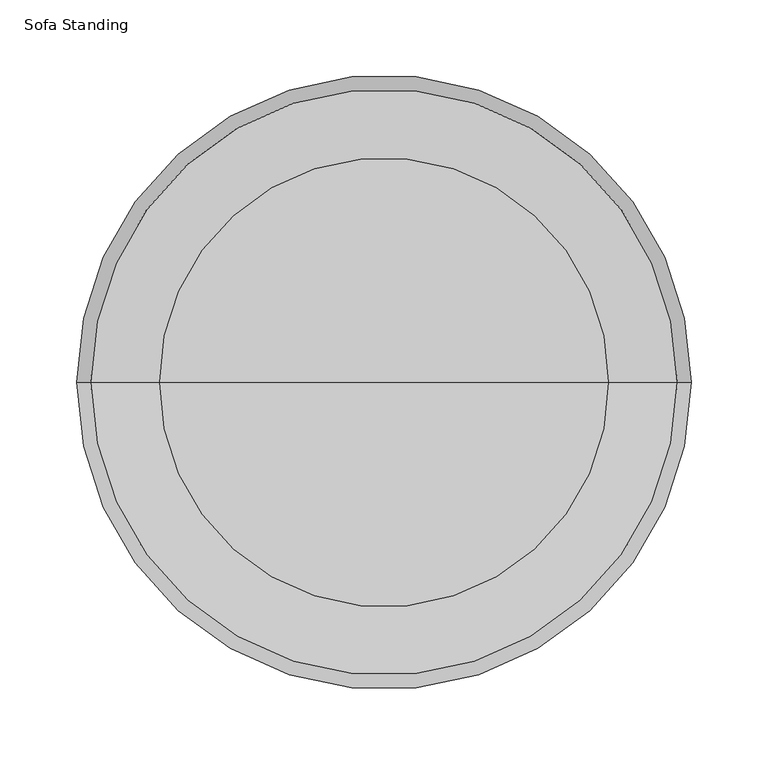
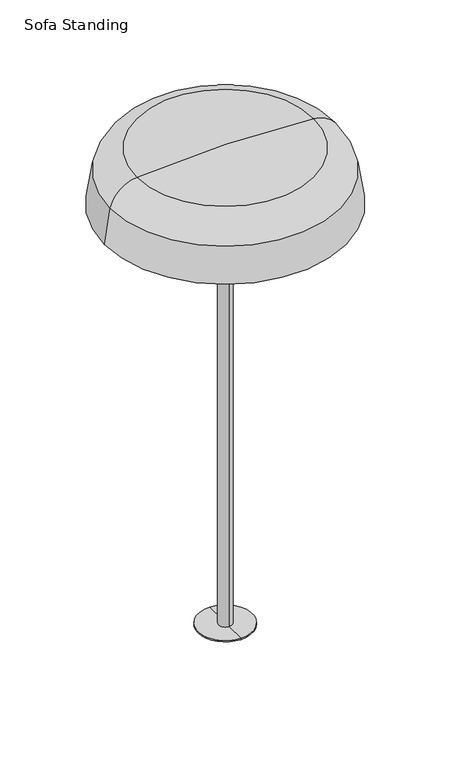
"""IFC4 building model written with IfcOpenShell, lengths in millimetres: light fixture geometry, Sofa Standing."""

import ifcopenshell
import ifcopenshell.guid

model = None  # the IFC model being written
_history = None  # IfcOwnerHistory: only IFC2X3 demands one
_inside = {}  # id of a spatial element -> (the spatial element, [elements in it])
_under = {}  # id of a project, library or spatial element -> (it, [spatial elements below it])
_declared = {}  # id of a project -> (the project, [libraries it declares])
_typed = {}  # id of a type object -> (the type object, [elements of that type])
_made_of = {}  # id of a material, layer set ... -> (it, [elements and type objects made of it])


def new_model(schema):
    """Start an empty IFC model of exactly this schema.

    Asked for "IFC4X3", IfcOpenShell would pick the latest addendum, in which some entities
    have other attributes; the version numbers below select the first issue.
    IFC2X3 requires an IfcOwnerHistory on every rooted entity: one is made here for all.
    """
    global model, _history
    if schema == "IFC4X3":
        model = ifcopenshell.file(schema_version=(4, 3, 0, 0))
    else:
        model = ifcopenshell.file(schema=schema)
    _inside.clear()
    _under.clear()
    _declared.clear()
    _typed.clear()
    _made_of.clear()
    _history = None
    if model.schema == "IFC2X3":
        org = make("IfcOrganization", Name="unknown")
        user = make(
            "IfcPersonAndOrganization",
            ThePerson=make("IfcPerson", FamilyName="unknown"),
            TheOrganization=org,
        )
        app = make(
            "IfcApplication",
            ApplicationDeveloper=org,
            Version="unknown",
            ApplicationFullName="unknown",
            ApplicationIdentifier="unknown",
        )
        _history = make(
            "IfcOwnerHistory",
            OwningUser=user,
            OwningApplication=app,
            ChangeAction="ADDED",
            CreationDate=0,
        )
    return model


def make(cls, **values):
    """One entity of the class cls with the attributes given. An attribute that is None is left unset."""
    return model.create_entity(
        cls, **{name: value for name, value in values.items() if value is not None}
    )


def rooted(cls, **values):
    """An entity with a GlobalId (a new one), such as an element, a storey or a relation."""
    return make(cls, GlobalId=ifcopenshell.guid.new(), OwnerHistory=_history, **values)


def si_unit(unit_type, name, prefix=None):
    """IfcSIUnit, for example si_unit("LENGTHUNIT", "METRE", prefix="MILLI")."""
    return make("IfcSIUnit", UnitType=unit_type, Prefix=prefix, Name=name)


def assignment(units):
    """IfcUnitAssignment: the units of a project."""
    return None if units is None else make("IfcUnitAssignment", Units=units)


def point(xyz):
    """IfcCartesianPoint."""
    return None if xyz is None else make("IfcCartesianPoint", Coordinates=xyz)


def direction(xyz):
    """IfcDirection."""
    return None if xyz is None else make("IfcDirection", DirectionRatios=xyz)


def frame(location, z_axis=None, x_axis=None):
    """IfcAxis2Placement3D, a coordinate frame: its origin and axes. An axis left out is left unset."""
    return make(
        "IfcAxis2Placement3D",
        Location=point(location),
        Axis=direction(z_axis),
        RefDirection=direction(x_axis),
    )


def origin():
    """The frame at (0, 0, 0) with its axes left unset."""
    return frame((0.0, 0.0, 0.0))


def place(relative_to, where):
    """IfcLocalPlacement: puts the frame where relative to a parent placement (None: the world)."""
    return make(
        "IfcLocalPlacement", PlacementRelTo=relative_to, RelativePlacement=where
    )


def context(
    kind, dimensions, precision=None, world=None, true_north=None, identifier=None
):
    """IfcGeometricRepresentationContext, for example the 3D "Model" context."""
    return make(
        "IfcGeometricRepresentationContext",
        ContextIdentifier=identifier,
        ContextType=kind,
        CoordinateSpaceDimension=dimensions,
        Precision=precision,
        WorldCoordinateSystem=world,
        TrueNorth=true_north,
    )


def project(units=None, contexts=None):
    """IfcProject with its units and contexts."""
    return rooted(
        "IfcProject",
        Name="project",
        RepresentationContexts=contexts,
        UnitsInContext=assignment(units),
    )


def spatial(cls, under=None, at=None, **own):
    """A site, building, storey or space (cls), placed at a placement, below another one or the project."""
    s = rooted(cls, ObjectPlacement=at, **own)
    if under is not None:
        _under.setdefault(under.id(), (under, []))[1].append(s)
    return s


def polyline(points):
    """IfcPolyline through the points."""
    return make("IfcPolyline", Points=[point(p) for p in points])


def circle_curve(where, radius):
    """IfcCircle in the frame where."""
    return make("IfcCircle", Position=where, Radius=radius)


def ellipse_curve(where, semi_axis1, semi_axis2):
    """IfcEllipse in the frame where."""
    return make(
        "IfcEllipse", Position=where, SemiAxis1=semi_axis1, SemiAxis2=semi_axis2
    )


def trimmed(basis, trim1, trim2, sense, master):
    """IfcTrimmedCurve: the piece of a basis curve between two trims."""
    return make(
        "IfcTrimmedCurve",
        BasisCurve=basis,
        Trim1=trim1,
        Trim2=trim2,
        SenseAgreement=sense,
        MasterRepresentation=master,
    )


def shape(context_of_items, identifier, shape_type, items):
    """IfcShapeRepresentation: the items that make up one representation, for example the "Body"."""
    return make(
        "IfcShapeRepresentation",
        ContextOfItems=context_of_items,
        RepresentationIdentifier=identifier,
        RepresentationType=shape_type,
        Items=items,
    )


def source(mapping_origin, context_of_items, identifier, shape_type, items):
    """IfcRepresentationMap: a shape defined once, which mapped items show again and again."""
    return make(
        "IfcRepresentationMap",
        MappingOrigin=mapping_origin,
        MappedRepresentation=shape(context_of_items, identifier, shape_type, items),
    )


def transform(
    local_origin,
    x_axis=None,
    y_axis=None,
    z_axis=None,
    scale=None,
    scale2=None,
    scale3=None,
    uniform=True,
):
    """IfcCartesianTransformationOperator3D, or its non-uniform kind. x_axis, y_axis, z_axis: its Axis1, 2, 3."""
    if uniform:
        return make(
            "IfcCartesianTransformationOperator3D",
            Axis1=direction(x_axis),
            Axis2=direction(y_axis),
            LocalOrigin=point(local_origin),
            Scale=scale,
            Axis3=direction(z_axis),
        )
    return make(
        "IfcCartesianTransformationOperator3DnonUniform",
        Axis1=direction(x_axis),
        Axis2=direction(y_axis),
        LocalOrigin=point(local_origin),
        Scale=scale,
        Axis3=direction(z_axis),
        Scale2=scale2,
        Scale3=scale3,
    )


def mapped(mapping_source, mapping_target):
    """IfcMappedItem: shows the shape of a source again, moved by a transform."""
    return make(
        "IfcMappedItem", MappingSource=mapping_source, MappingTarget=mapping_target
    )


def made_of(thing, what):
    """Note that an element or type object is made of a material, layer set ...; save() writes the relation."""
    if what is not None:
        _made_of.setdefault(what.id(), (what, []))[1].append(thing)
    return thing


def element(
    cls,
    number,
    at=None,
    inside=None,
    cuts=None,
    type_object=None,
    material=None,
    context=None,
    identifier="Body",
    shape_type=None,
    held_by="IfcProductDefinitionShape",
    body=None,
    shapes=None,
    **own,
):
    """One element of the class cls, such as IfcWall. Its Tag is "e" and its number.

    at: its placement. inside: the storey or other place that contains it. cuts: it is an
    opening in that element (IfcRelVoidsElement). A single representation is given by context,
    identifier, shape_type and body (its items); several are given by shapes. held_by: the class
    of the entity that holds the representations. save() writes the other relations.
    """
    e = rooted(cls, Tag="e%d" % number, ObjectPlacement=at, **own)
    if body is not None:
        shapes = [shape(context, identifier, shape_type, body)]
    if shapes is not None:
        e.Representation = make(held_by, Representations=shapes)
    if inside is not None:
        _inside.setdefault(inside.id(), (inside, []))[1].append(e)
    if cuts is not None:
        rooted(
            "IfcRelVoidsElement", RelatingBuildingElement=cuts, RelatedOpeningElement=e
        )
    if type_object is not None:
        _typed.setdefault(type_object.id(), (type_object, []))[1].append(e)
    return made_of(e, material)


def aggregate(whole, parts):
    """IfcRelAggregates: a whole, such as a stair, and the parts it consists of."""
    return rooted("IfcRelAggregates", RelatingObject=whole, RelatedObjects=parts)


def save(model, path):
    """Write the relations noted so far, then the file.

    IfcRelAggregates (storeys below a building ...), IfcRelContainedInSpatialStructure (elements
    in a storey), IfcRelDefinesByType, IfcRelAssociatesMaterial and IfcRelDeclares: one each for
    every whole, place, type object, material and project.
    """
    for whole, parts in _under.values():
        aggregate(whole, parts)
    for where, things in _inside.values():
        rooted(
            "IfcRelContainedInSpatialStructure",
            RelatedElements=things,
            RelatingStructure=where,
        )
    for kind, things in _typed.values():
        rooted("IfcRelDefinesByType", RelatedObjects=things, RelatingType=kind)
    for what, things in _made_of.values():
        rooted("IfcRelAssociatesMaterial", RelatedObjects=things, RelatingMaterial=what)
    for by, libraries in _declared.values():
        rooted("IfcRelDeclares", RelatingContext=by, RelatedDefinitions=libraries)
    model.write(path)


def plane_surface(at):
    """IfcPlane: the flat surface through the origin of the frame at, square to its z axis."""
    return make("IfcPlane", Position=at)


def cylinder_surface(at, radius):
    """IfcCylindricalSurface: all points at the distance radius from the z axis of the frame at."""
    return make("IfcCylindricalSurface", Position=at, Radius=radius)


def revolved_surface(curve, axis_point, axis_direction):
    """IfcSurfaceOfRevolution: the curve turned about the line through axis_point along axis_direction."""
    return make(
        "IfcSurfaceOfRevolution",
        SweptCurve=make("IfcArbitraryOpenProfileDef", ProfileType="CURVE", Curve=curve),
        AxisPosition=make("IfcAxis1Placement", Location=point(axis_point), Axis=direction(axis_direction)),
    )


def advanced_brep(points, edges, surfaces, faces):
    """IfcAdvancedBrep: a solid bounded by faces that lie on surfaces and meet in shared edges.

    An edge is (start, end): straight between two places in points (the first is 0);
    or (start, end, curve); or (start, end, curve, False) where it runs against its curve.
    A face is (place in surfaces, loops), or (place, loops, False) where it looks against
    its surface's normal. A loop lists edges by number (the first is 1), with a minus sign
    where the edge is run from its end to its start. The first loop is the outer one.
    """
    corners = [point(p) for p in points]
    vertices = [make("IfcVertexPoint", VertexGeometry=c) for c in corners]
    made = []
    for start, end, *more in edges:
        made.append(
            make(
                "IfcEdgeCurve",
                EdgeStart=vertices[start],
                EdgeEnd=vertices[end],
                EdgeGeometry=more[0] if more else make("IfcPolyline", Points=[corners[start], corners[end]]),
                SameSense=more[1] if len(more) > 1 else True,
            )
        )
    hull = []
    for where, loops, *sense in faces:
        bounds = []
        for j, loop in enumerate(loops):
            ring = [make("IfcOrientedEdge", EdgeElement=made[abs(k) - 1], Orientation=k > 0) for k in loop]
            bounds.append(
                make(
                    "IfcFaceOuterBound" if j == 0 else "IfcFaceBound",
                    Bound=make("IfcEdgeLoop", EdgeList=ring),
                    Orientation=True,
                )
            )
        hull.append(make("IfcAdvancedFace", Bounds=bounds, FaceSurface=surfaces[where], SameSense=sense[0] if sense else True))
    return make("IfcAdvancedBrep", Outer=make("IfcClosedShell", CfsFaces=hull))


def sofa_standing_98f8bb21(model_context):
    return source(origin(), model_context, "Body", "AdvancedBrep", [
        advanced_brep(
        [(199.9486931, 0.0, 1285.7470524), (-200.1013069, 0.0, 1285.7470524), (-191.022028, 0.0, 1345.4525311), (190.8694141, 0.0, 1345.4525311), (197.3636976, 0.0, 1285.7470524), (-197.5163114, 0.0, 1285.7470524), (188.3624242, 0.0, 1344.8444283), (-188.515038, 0.0, 1344.8444283), (145.8324053, 0.0, 1381.5029663), (-145.9850191, 0.0, 1381.5029663), (-0.0763069, 0.0, 1388.069392), (146.0641267, 0.0, 1384.0722255), (-146.2167405, 0.0, 1384.0722255), (-0.0763069, 0.0, 1390.6490795)],
        [
            (0, 1, circle_curve(frame((-0.0763069, 0.0, 1285.7470524), z_axis=(0.0, 0.0, 1.0), x_axis=(-1.0, 0.0, 0.0)), 200.025)),
            (1, 2, circle_curve(frame((146.4885159, 0.0, 1263.5849834), z_axis=(0.0, 1.0, 0.0), x_axis=(1.0, 0.0, 0.0)), 347.2976571)),
            (2, 3, circle_curve(frame((-0.0763069, 0.0, 1345.4525311), z_axis=(0.0, 0.0, -1.0), x_axis=(-1.0, 0.0, 0.0)), 190.945721)),
            (3, 0, circle_curve(frame((-146.6411298, 0.0, 1263.5849834), z_axis=(0.0, 1.0, 0.0), x_axis=(-1.0, 0.0, 0.0)), 347.2976571)),
            (1, 0, circle_curve(frame((-0.0763069, 0.0, 1285.7470524), z_axis=(0.0, 0.0, 1.0), x_axis=(-1.0, 0.0, 0.0)), 200.025)),
            (3, 2, circle_curve(frame((-0.0763069, 0.0, 1345.4525311), z_axis=(0.0, 0.0, -1.0), x_axis=(-1.0, 0.0, 0.0)), 190.945721)),
            (4, 5, circle_curve(frame((-0.0763069, 0.0, 1285.7470524), z_axis=(0.0, 0.0, 1.0), x_axis=(-1.0, 0.0, 0.0)), 197.4400045)),
            (5, 1),
            (0, 4),
            (5, 4, circle_curve(frame((-0.0763069, 0.0, 1285.7470524), z_axis=(0.0, 0.0, 1.0), x_axis=(-1.0, 0.0, 0.0)), 197.4400045)),
            (6, 7, circle_curve(frame((-0.0763069, 0.0, 1344.8444283), z_axis=(0.0, 0.0, 1.0), x_axis=(-1.0, 0.0, 0.0)), 188.4387311)),
            (7, 5, circle_curve(frame((146.4885159, 0.0, 1263.5849834), z_axis=(0.0, -1.0, 0.0), x_axis=(1.0, 0.0, 0.0)), 344.7179696)),
            (4, 6, circle_curve(frame((-146.6411298, 0.0, 1263.5849834), z_axis=(0.0, -1.0, 0.0), x_axis=(-1.0, 0.0, 0.0)), 344.7179696)),
            (7, 6, circle_curve(frame((-0.0763069, 0.0, 1344.8444283), z_axis=(0.0, 0.0, 1.0), x_axis=(-1.0, 0.0, 0.0)), 188.4387311)),
            (8, 9, circle_curve(frame((-0.0763069, 0.0, 1381.5029663), z_axis=(0.0, 0.0, 1.0), x_axis=(-1.0, 0.0, 0.0)), 145.9087122)),
            (9, 7, circle_curve(frame((-141.6536108, 0.0, 1333.477583), z_axis=(0.0, -1.0, 0.0), x_axis=(1.0, 0.0, 0.0)), 48.2203125)),
            (6, 8, circle_curve(frame((141.5009969, 0.0, 1333.477583), z_axis=(0.0, -1.0, 0.0), x_axis=(-1.0, 0.0, 0.0)), 48.2203125)),
            (9, 8, circle_curve(frame((-0.0763069, 0.0, 1381.5029663), z_axis=(0.0, 0.0, 1.0), x_axis=(-1.0, 0.0, 0.0)), 145.9087122)),
            (10, 9, circle_curve(frame((-0.0763069, 0.0, -236.2899711), z_axis=(0.0, -1.0, 0.0), x_axis=(1.0, 0.0, 0.0)), 1624.3593631)),
            (8, 10, circle_curve(frame((-0.0763069, 0.0, -236.2899711), z_axis=(0.0, -1.0, 0.0), x_axis=(-1.0, 0.0, 0.0)), 1624.3593631)),
            (11, 12, circle_curve(frame((-0.0763069, 0.0, 1384.0722255), z_axis=(0.0, 0.0, 1.0), x_axis=(-1.0, 0.0, 0.0)), 146.1404336)),
            (12, 13, circle_curve(frame((-0.0763069, 0.0, -236.2899711), z_axis=(0.0, 1.0, 0.0), x_axis=(1.0, 0.0, 0.0)), 1626.9390506)),
            (13, 11, circle_curve(frame((-0.0763069, 0.0, -236.2899711), z_axis=(0.0, 1.0, 0.0), x_axis=(-1.0, 0.0, 0.0)), 1626.9390506)),
            (12, 11, circle_curve(frame((-0.0763069, 0.0, 1384.0722255), z_axis=(0.0, 0.0, 1.0), x_axis=(-1.0, 0.0, 0.0)), 146.1404336)),
            (2, 12, circle_curve(frame((-141.6536108, 0.0, 1333.477583), z_axis=(0.0, 1.0, 0.0), x_axis=(1.0, 0.0, 0.0)), 50.8)),
            (11, 3, circle_curve(frame((141.5009969, 0.0, 1333.477583), z_axis=(0.0, 1.0, 0.0), x_axis=(-1.0, 0.0, 0.0)), 50.8)),
        ],
        [
            revolved_surface(trimmed(ellipse_curve(frame((146.4885159, 0.0, 1263.5849834), z_axis=(0.0, -1.0, 0.0), x_axis=(1.0, 0.0, 0.0)), 347.2976571, 347.2976571), [point((-191.022028, 0.0, 1345.4525311))], [point((-200.1013069, 0.0, 1285.7470524))], True, "CARTESIAN"), (-0.0763069, 0.0, 1390.6490795), (0.0, 0.0, -1.0)),
            plane_surface(frame((-0.0763069, 0.0, 1285.7470524), z_axis=(0.0, 0.0, -1.0), x_axis=(-1.0, 0.0, 0.0))),
            revolved_surface(trimmed(ellipse_curve(frame((146.4885159, 0.0, 1263.5849834), z_axis=(0.0, 1.0, 0.0), x_axis=(1.0, 0.0, 0.0)), 344.7179696, 344.7179696), [point((-197.5163114, 0.0, 1285.7470524))], [point((-188.515038, 0.0, 1344.8444283))], True, "CARTESIAN"), (-0.0763069, 0.0, 1390.6490795), (0.0, 0.0, -1.0)),
            revolved_surface(trimmed(ellipse_curve(frame((-141.6536108, 0.0, 1333.477583), z_axis=(0.0, 1.0, 0.0), x_axis=(1.0, 0.0, 0.0)), 48.2203125, 48.2203125), [point((-188.515038, 0.0, 1344.8444283))], [point((-145.9850191, 0.0, 1381.5029663))], True, "CARTESIAN"), (-0.0763069, 0.0, 1390.6490795), (0.0, 0.0, -1.0)),
            revolved_surface(trimmed(ellipse_curve(frame((-0.0763069, 0.0, -236.2899711), z_axis=(0.0, 1.0, 0.0), x_axis=(1.0, 0.0, 0.0)), 1624.3593631, 1624.3593631), [point((-145.9850191, 0.0, 1381.5029663))], [point((-0.0763069, 0.0, 1388.069392))], True, "CARTESIAN"), (-0.0763069, 0.0, 1390.6490795), (0.0, 0.0, -1.0)),
            revolved_surface(trimmed(ellipse_curve(frame((-0.0763069, 0.0, -236.2899711), z_axis=(0.0, -1.0, 0.0), x_axis=(1.0, 0.0, 0.0)), 1626.9390506, 1626.9390506), [point((-0.0763069, 0.0, 1390.6490795))], [point((-146.2167405, 0.0, 1384.0722255))], True, "CARTESIAN"), (-0.0763069, 0.0, 1390.6490795), (0.0, 0.0, -1.0)),
            revolved_surface(trimmed(ellipse_curve(frame((-141.6536108, 0.0, 1333.477583), z_axis=(0.0, -1.0, 0.0), x_axis=(1.0, 0.0, 0.0)), 50.8, 50.8), [point((-146.2167405, 0.0, 1384.0722255))], [point((-191.022028, 0.0, 1345.4525311))], True, "CARTESIAN"), (-0.0763069, 0.0, 1390.6490795), (0.0, 0.0, -1.0)),
        ],
        [
            (0, [[1, 2, 3, 4]]),
            (0, [[5, -4, 6, -2]]),
            (1, [[7, 8, -1, 9]]),
            (1, [[10, -9, -5, -8]]),
            (2, [[11, 12, -7, 13]]),
            (2, [[14, -13, -10, -12]]),
            (3, [[15, 16, -11, 17]]),
            (3, [[18, -17, -14, -16]]),
            (4, [[19, -15, 20]]),
            (4, [[-20, -18, -19]]),
            (5, [[21, 22, 23]]),
            (5, [[24, -23, -22]]),
            (6, [[-3, 25, -21, 26]]),
            (6, [[-6, -26, -24, -25]]),
        ],
    ),
        advanced_brep(
        [(-0.0763069, -196.9875458, 1291.8740269), (-0.0763069, 196.9875458, 1291.8740269), (-0.0763069, 0.0, 1285.7470524), (-0.0763069, -196.7671941, 1294.4449868), (-0.0763069, 196.7671941, 1294.4449868), (-0.0763069, 0.0, 1288.3267399)],
        [
            (0, 1, circle_curve(frame((-0.0763069, 0.0, 1291.8740269), z_axis=(0.0, 0.0, -1.0), x_axis=(0.0, 1.0, 0.0)), 196.9875458)),
            (1, 2, circle_curve(frame((-0.0763069, 0.1915666, 4449.3117503), z_axis=(-1.0, 0.0, 0.0), x_axis=(0.0, -1.0, 0.0)), 3163.5647037)),
            (2, 0, circle_curve(frame((-0.0763069, -0.1915666, 4449.3117503), z_axis=(-1.0, 0.0, 0.0), x_axis=(0.0, 1.0, 0.0)), 3163.5647037)),
            (1, 0, circle_curve(frame((-0.0763069, 0.0, 1291.8740269), z_axis=(0.0, 0.0, -1.0), x_axis=(0.0, 1.0, 0.0)), 196.9875458)),
            (3, 4, circle_curve(frame((-0.0763069, 0.0, 1294.4449868), z_axis=(0.0, 0.0, -1.0), x_axis=(0.0, 1.0, 0.0)), 196.7671941)),
            (4, 1),
            (0, 3),
            (4, 3, circle_curve(frame((-0.0763069, 0.0, 1294.4449868), z_axis=(0.0, 0.0, -1.0), x_axis=(0.0, 1.0, 0.0)), 196.7671941)),
            (5, 4, circle_curve(frame((-0.0763069, 0.1915666, 4449.3117503), z_axis=(1.0, 0.0, 0.0), x_axis=(0.0, -1.0, 0.0)), 3160.9850162)),
            (3, 5, circle_curve(frame((-0.0763069, -0.1915666, 4449.3117503), z_axis=(1.0, 0.0, 0.0), x_axis=(0.0, 1.0, 0.0)), 3160.9850162)),
        ],
        [
            revolved_surface(trimmed(ellipse_curve(frame((-0.0763069, 0.1915666, 4449.3117503), z_axis=(1.0, 0.0, 0.0), x_axis=(0.0, -1.0, 0.0)), 3163.5647037, 3163.5647037), [point((-0.0763069, 0.0, 1285.7470524))], [point((-0.0763069, 196.9875458, 1291.8740269))], True, "CARTESIAN"), (-0.0763069, 0.0, 1288.3267399), (0.0, 0.0, 1.0)),
            revolved_surface(polyline([(-0.0763069, 196.9875458, 1291.8740269), (-0.0763069, 196.7671941, 1294.4449868)]), (-0.0763069, 0.0, 1288.3267399), (0.0, 0.0, 1.0)),
            revolved_surface(trimmed(ellipse_curve(frame((-0.0763069, 0.1915666, 4449.3117503), z_axis=(-1.0, 0.0, 0.0), x_axis=(0.0, -1.0, 0.0)), 3160.9850162, 3160.9850162), [point((-0.0763069, 196.7671941, 1294.4449868))], [point((-0.0763069, 0.0, 1288.3267399))], True, "CARTESIAN"), (-0.0763069, 0.0, 1288.3267399), (0.0, 0.0, 1.0)),
        ],
        [
            (0, [[1, 2, 3]]),
            (0, [[4, -3, -2]]),
            (1, [[5, 6, -1, 7]]),
            (1, [[8, -7, -4, -6]]),
            (2, [[9, -5, 10]]),
            (2, [[-10, -8, -9]]),
        ],
    ),
        advanced_brep(
        [(0.0, -44.958, 554.4820019), (0.0, 44.958, 554.4820019), (0.0, 44.958, 552.45), (0.0, -44.958, 552.45), (0.0, -10.922, 1281.4290384), (0.0, 10.922, 1281.4290384), (0.0, 10.922, 554.4820019), (0.0, -10.922, 554.4820019), (0.0, -26.0350001, 1283.0133932), (0.0, 26.0350002, 1283.0133932), (0.0, 12.7000006, 1281.4290384), (0.0, -12.7000006, 1281.4290384), (0.0, -26.0350001, 1285.7470524), (0.0, 26.0350002, 1285.7470524), (0.0, 0.0, 1285.7470524), (0.0, 0.0, 552.45)],
        [
            (0, 1, circle_curve(frame((0.0, 0.0, 554.4820019), z_axis=(0.0, 0.0, -1.0), x_axis=(0.0, 1.0, 0.0)), 44.958)),
            (1, 2),
            (2, 3, circle_curve(frame((0.0, 0.0, 552.45), z_axis=(0.0, 0.0, 1.0), x_axis=(0.0, 1.0, 0.0)), 44.958)),
            (3, 0),
            (1, 0, circle_curve(frame((0.0, 0.0, 554.4820019), z_axis=(0.0, 0.0, -1.0), x_axis=(0.0, 1.0, 0.0)), 44.958)),
            (3, 2, circle_curve(frame((0.0, 0.0, 552.45), z_axis=(0.0, 0.0, 1.0), x_axis=(0.0, 1.0, 0.0)), 44.958)),
            (4, 5, circle_curve(frame((0.0, 0.0, 1281.4290384), z_axis=(0.0, 0.0, -1.0), x_axis=(0.0, 1.0, 0.0)), 10.922)),
            (5, 6),
            (6, 7, circle_curve(frame((0.0, 0.0, 554.4820019), z_axis=(0.0, 0.0, 1.0), x_axis=(0.0, 1.0, 0.0)), 10.922)),
            (7, 4),
            (5, 4, circle_curve(frame((0.0, 0.0, 1281.4290384), z_axis=(0.0, 0.0, -1.0), x_axis=(0.0, 1.0, 0.0)), 10.922)),
            (7, 6, circle_curve(frame((0.0, 0.0, 554.4820019), z_axis=(0.0, 0.0, 1.0), x_axis=(0.0, 1.0, 0.0)), 10.922)),
            (8, 9, circle_curve(frame((0.0, 0.0, 1283.0133932), z_axis=(0.0, 0.0, -1.0), x_axis=(0.0, 1.0, 0.0)), 26.0350002)),
            (9, 10),
            (10, 11, circle_curve(frame((0.0, 0.0, 1281.4290384), z_axis=(0.0, 0.0, 1.0), x_axis=(0.0, 1.0, 0.0)), 12.7000006)),
            (11, 8),
            (9, 8, circle_curve(frame((0.0, 0.0, 1283.0133932), z_axis=(0.0, 0.0, -1.0), x_axis=(0.0, 1.0, 0.0)), 26.0350002)),
            (11, 10, circle_curve(frame((0.0, 0.0, 1281.4290384), z_axis=(0.0, 0.0, 1.0), x_axis=(0.0, 1.0, 0.0)), 12.7000006)),
            (12, 13, circle_curve(frame((0.0, 0.0, 1285.7470524), z_axis=(0.0, 0.0, -1.0), x_axis=(0.0, 1.0, 0.0)), 26.0350002)),
            (13, 9),
            (8, 12),
            (13, 12, circle_curve(frame((0.0, 0.0, 1285.7470524), z_axis=(0.0, 0.0, -1.0), x_axis=(0.0, 1.0, 0.0)), 26.0350002)),
            (14, 13),
            (12, 14),
            (2, 15),
            (15, 3),
            (10, 5),
            (4, 11),
            (6, 1),
            (0, 7),
        ],
        [
            cylinder_surface(frame((0.0, 0.0, 3.1750001), z_axis=(0.0, 0.0, 1.0), x_axis=(0.0, 1.0, 0.0)), 44.958),
            cylinder_surface(frame((0.0, 0.0, 3.1750001), z_axis=(0.0, 0.0, 1.0), x_axis=(0.0, 1.0, 0.0)), 10.922),
            revolved_surface(polyline([(0.0, 12.7000006, 1281.4290384), (0.0, 26.0350002, 1283.0133932)]), (0.0, 0.0, 3.1750001), (0.0, 0.0, 1.0)),
            cylinder_surface(frame((0.0, 0.0, 3.1750001), z_axis=(0.0, 0.0, 1.0), x_axis=(0.0, 1.0, 0.0)), 26.0350002),
            plane_surface(frame((0.0, 0.0, 1285.7470524), z_axis=(0.0, 0.0, 1.0), x_axis=(0.0, 1.0, 0.0))),
            plane_surface(frame((0.0, 0.0, 552.45), z_axis=(0.0, 0.0, -1.0), x_axis=(0.0, 1.0, 0.0))),
            plane_surface(frame((0.0, 0.0, 1281.4290384), z_axis=(0.0, 0.0, -1.0), x_axis=(0.0, 1.0, 0.0))),
            plane_surface(frame((0.0, 0.0, 554.4820019), z_axis=(0.0, 0.0, 1.0), x_axis=(0.0, 1.0, 0.0))),
        ],
        [
            (0, [[1, 2, 3, 4]]),
            (0, [[5, -4, 6, -2]]),
            (1, [[7, 8, 9, 10]]),
            (1, [[11, -10, 12, -8]]),
            (2, [[13, 14, 15, 16]]),
            (2, [[17, -16, 18, -14]]),
            (3, [[19, 20, -13, 21]]),
            (3, [[22, -21, -17, -20]]),
            (4, [[23, -19, 24]]),
            (4, [[-24, -22, -23]]),
            (5, [[-3, 25, 26]]),
            (5, [[-6, -26, -25]]),
            (6, [[-15, 27, -7, 28]]),
            (6, [[-18, -28, -11, -27]]),
            (7, [[-9, 29, -1, 30]]),
            (7, [[-12, -30, -5, -29]]),
        ],
    ),
    ])


if __name__ == "__main__":
    model = new_model("IFC4")
    model_context = context("Model", 3, world=origin())
    ifc_project = project(units=[si_unit("LENGTHUNIT", "METRE", prefix="MILLI")], contexts=[model_context])
    site = spatial("IfcSite", under=ifc_project)
    building = spatial("IfcBuilding", under=site)
    placement = place(None, origin())
    sofa_standing_shape = sofa_standing_98f8bb21(model_context)
    element("IfcLightFixture", 1, ObjectType="Sofa Standing", at=placement, inside=building, context=model_context, shape_type="MappedRepresentation", body=[
        mapped(sofa_standing_shape, transform((0.0, 0.0, 0.0), x_axis=(1.0, 0.0, 0.0), y_axis=(0.0, 1.0, 0.0), z_axis=(0.0, 0.0, 1.0))),
    ])
    save(model, "model.ifc")
